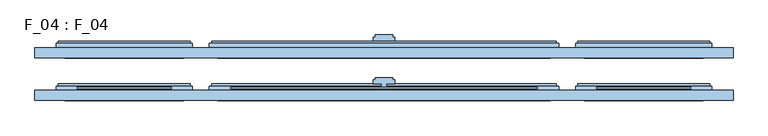
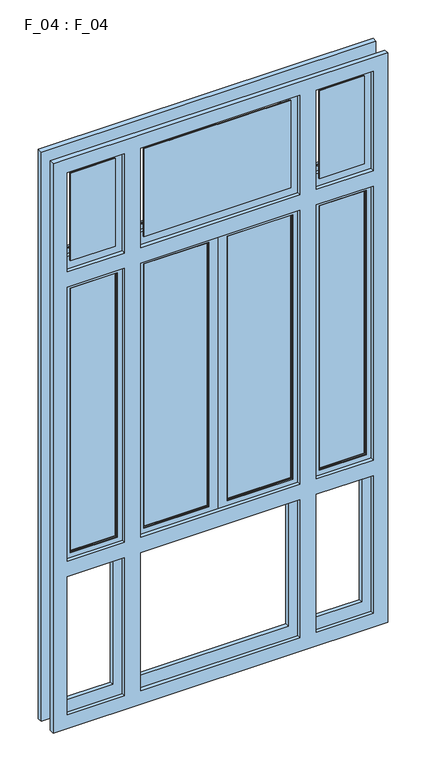
"""IFC4 building model written with IfcOpenShell, lengths in millimetres: window geometry, F_04 : F_04."""

from ifc_helpers import new_model, si_unit, frame, origin, place, context, project, spatial, polyline, outline, extrude, faceted_brep, source, transform, mapped, element, save


def f_04_f_04_528c8c78(model_context):
    return source(origin(), model_context, "Body", "SolidModel", [
        faceted_brep([(400.0, 40.0, 3830.0), (400.0, 40.0, 3295.0000003), (400.0, 45.0, 3295.0000003), (400.0, 45.0, 3830.0), (410.0, 45.0, 3285.0000003), (410.0, 45.0, 3840.0), (-410.0, 45.0, 3840.0), (-410.0, 45.0, 3285.0000003), (-400.0, 45.0, 3295.0000003), (-400.0, 45.0, 3830.0), (-400.0, 40.0, 3295.0000003), (-400.0, 40.0, 3830.0), (365.0, 40.0, 3795.0), (365.0, 40.0, 3330.0000003), (-365.0, 40.0, 3330.0000003), (-365.0, 40.0, 3795.0), (365.0, 45.0, 3795.0), (365.0, 45.0, 3330.0000003), (-365.0, 45.0, 3330.0000003), (-365.0, 45.0, 3795.0), (360.0, 45.0, 3790.0), (360.0, 45.0, 3335.0000003), (-360.0, 45.0, 3335.0000003), (-360.0, 45.0, 3790.0), (360.0, 55.0, 3790.0), (360.0, 55.0, 3335.0000003), (-360.0, 55.0, 3335.0000003), (365.0, 55.0, 3795.0), (365.0, 55.0, 3330.0000003), (-365.0, 55.0, 3330.0000003), (-365.0, 55.0, 3795.0), (-360.0, 55.0, 3790.0), (365.0, 60.0, 3795.0), (365.0, 60.0, 3330.0000003), (-365.0, 60.0, 3330.0000003), (405.0, 60.0, 3835.0), (405.0, 60.0, 3290.0000003), (-405.0, 60.0, 3290.0000003), (-405.0, 60.0, 3835.0), (-365.0, 60.0, 3795.0), (405.0, 55.0, 3835.0), (405.0, 55.0, 3290.0000003), (-405.0, 55.0, 3290.0000003), (410.0, 55.0, 3840.0), (410.0, 55.0, 3285.0000003), (-410.0, 55.0, 3285.0000003), (-410.0, 55.0, 3840.0), (-405.0, 55.0, 3835.0)], [[[0, 1, 2, 3]], [[4, 5, 6, 7], [3, 2, 8, 9]], [[1, 10, 8, 2]], [[1, 0, 11, 10], [12, 13, 14, 15]], [[16, 17, 13, 12]], [[17, 18, 14, 13]], [[17, 16, 19, 18], [20, 21, 22, 23]], [[24, 25, 21, 20]], [[25, 26, 22, 21]], [[27, 28, 29, 30], [25, 24, 31, 26]], [[32, 33, 28, 27]], [[33, 34, 29, 28]], [[35, 36, 37, 38], [33, 32, 39, 34]], [[40, 41, 36, 35]], [[41, 42, 37, 36]], [[43, 44, 45, 46], [41, 40, 47, 42]], [[5, 4, 44, 43]], [[4, 7, 45, 44]], [[10, 11, 9, 8]], [[18, 19, 15, 14]], [[26, 31, 23, 22]], [[34, 39, 30, 29]], [[42, 47, 38, 37]], [[7, 6, 46, 45]], [[11, 0, 3, 9]], [[19, 16, 12, 15]], [[31, 24, 20, 23]], [[39, 32, 27, 30]], [[47, 40, 35, 38]], [[6, 5, 43, 46]]]),
        faceted_brep([(460.0, 45.0, 3830.0), (460.0, 45.0, 3295.0000003), (460.0, 40.0, 3295.0000003), (460.0, 40.0, 3830.0), (759.9999997, 40.0, 3295.0000003), (759.9999997, 40.0, 3830.0), (495.0, 40.0, 3330.0000003), (495.0, 40.0, 3795.0), (724.9999997, 40.0, 3795.0), (724.9999997, 40.0, 3330.0000003), (759.9999997, 45.0, 3295.0000003), (450.0, 45.0, 3840.0), (450.0, 45.0, 3285.0000003), (769.9999997, 45.0, 3285.0000003), (769.9999997, 45.0, 3840.0), (759.9999997, 45.0, 3830.0), (495.0, 45.0, 3330.0000003), (495.0, 45.0, 3795.0), (724.9999997, 45.0, 3330.0000003), (724.9999997, 45.0, 3795.0), (500.0, 45.0, 3335.0000003), (500.0, 45.0, 3790.0), (719.9999997, 45.0, 3790.0), (719.9999997, 45.0, 3335.0000003), (500.0, 55.0, 3335.0000003), (500.0, 55.0, 3790.0), (495.0, 55.0, 3330.0000003), (495.0, 55.0, 3795.0), (724.9999997, 55.0, 3795.0), (724.9999997, 55.0, 3330.0000003), (719.9999997, 55.0, 3335.0000003), (719.9999997, 55.0, 3790.0), (495.0, 60.0, 3330.0000003), (495.0, 60.0, 3795.0), (455.0, 60.0, 3290.0000003), (455.0, 60.0, 3835.0), (764.9999997, 60.0, 3835.0), (764.9999997, 60.0, 3290.0000003), (724.9999997, 60.0, 3330.0000003), (724.9999997, 60.0, 3795.0), (455.0, 55.0, 3290.0000003), (455.0, 55.0, 3835.0), (450.0, 55.0, 3285.0000003), (450.0, 55.0, 3840.0), (769.9999997, 55.0, 3840.0), (769.9999997, 55.0, 3285.0000003), (764.9999997, 55.0, 3290.0000003), (764.9999997, 55.0, 3835.0)], [[[0, 1, 2, 3]], [[3, 2, 4, 5], [6, 7, 8, 9]], [[1, 10, 4, 2]], [[11, 12, 13, 14], [1, 0, 15, 10]], [[7, 6, 16, 17]], [[17, 16, 18, 19], [20, 21, 22, 23]], [[6, 9, 18, 16]], [[21, 20, 24, 25]], [[26, 27, 28, 29], [25, 24, 30, 31]], [[20, 23, 30, 24]], [[27, 26, 32, 33]], [[34, 35, 36, 37], [33, 32, 38, 39]], [[26, 29, 38, 32]], [[35, 34, 40, 41]], [[42, 43, 44, 45], [41, 40, 46, 47]], [[34, 37, 46, 40]], [[43, 42, 12, 11]], [[42, 45, 13, 12]], [[10, 15, 5, 4]], [[9, 8, 19, 18]], [[23, 22, 31, 30]], [[29, 28, 39, 38]], [[37, 36, 47, 46]], [[45, 44, 14, 13]], [[15, 0, 3, 5]], [[8, 7, 17, 19]], [[22, 21, 25, 31]], [[28, 27, 33, 39]], [[36, 35, 41, 47]], [[44, 43, 11, 14]]]),
        faceted_brep([(-460.0, 40.0, 3830.0), (-460.0, 40.0, 3295.0000003), (-460.0, 45.0, 3295.0000003), (-460.0, 45.0, 3830.0), (-450.0, 45.0, 3285.0000003), (-450.0, 45.0, 3840.0), (-769.9999997, 45.0, 3840.0), (-769.9999997, 45.0, 3285.0000003), (-759.9999997, 45.0, 3295.0000003), (-759.9999997, 45.0, 3830.0), (-759.9999997, 40.0, 3295.0000003), (-759.9999997, 40.0, 3830.0), (-495.0, 40.0, 3795.0), (-495.0, 40.0, 3330.0000003), (-724.9999997, 40.0, 3330.0000003), (-724.9999997, 40.0, 3795.0), (-495.0, 45.0, 3795.0), (-495.0, 45.0, 3330.0000003), (-724.9999997, 45.0, 3330.0000003), (-724.9999997, 45.0, 3795.0), (-500.0, 45.0, 3790.0), (-500.0, 45.0, 3335.0000003), (-719.9999997, 45.0, 3335.0000003), (-719.9999997, 45.0, 3790.0), (-500.0, 55.0, 3790.0), (-500.0, 55.0, 3335.0000003), (-719.9999997, 55.0, 3335.0000003), (-495.0, 55.0, 3795.0), (-495.0, 55.0, 3330.0000003), (-724.9999997, 55.0, 3330.0000003), (-724.9999997, 55.0, 3795.0), (-719.9999997, 55.0, 3790.0), (-495.0, 60.0, 3795.0), (-495.0, 60.0, 3330.0000003), (-724.9999997, 60.0, 3330.0000003), (-455.0, 60.0, 3835.0), (-455.0, 60.0, 3290.0000003), (-764.9999997, 60.0, 3290.0000003), (-764.9999997, 60.0, 3835.0), (-724.9999997, 60.0, 3795.0), (-455.0, 55.0, 3835.0), (-455.0, 55.0, 3290.0000003), (-764.9999997, 55.0, 3290.0000003), (-450.0, 55.0, 3840.0), (-450.0, 55.0, 3285.0000003), (-769.9999997, 55.0, 3285.0000003), (-769.9999997, 55.0, 3840.0), (-764.9999997, 55.0, 3835.0)], [[[0, 1, 2, 3]], [[4, 5, 6, 7], [3, 2, 8, 9]], [[1, 10, 8, 2]], [[1, 0, 11, 10], [12, 13, 14, 15]], [[16, 17, 13, 12]], [[17, 18, 14, 13]], [[17, 16, 19, 18], [20, 21, 22, 23]], [[24, 25, 21, 20]], [[25, 26, 22, 21]], [[27, 28, 29, 30], [25, 24, 31, 26]], [[32, 33, 28, 27]], [[33, 34, 29, 28]], [[35, 36, 37, 38], [33, 32, 39, 34]], [[40, 41, 36, 35]], [[41, 42, 37, 36]], [[43, 44, 45, 46], [41, 40, 47, 42]], [[5, 4, 44, 43]], [[4, 7, 45, 44]], [[10, 11, 9, 8]], [[18, 19, 15, 14]], [[26, 31, 23, 22]], [[34, 39, 30, 29]], [[42, 47, 38, 37]], [[7, 6, 46, 45]], [[11, 0, 3, 9]], [[19, 16, 12, 15]], [[31, 24, 20, 23]], [[39, 32, 27, 30]], [[47, 40, 35, 38]], [[6, 5, 43, 46]]]),
        faceted_brep([(44.9999997, -55.0, 1830.0), (44.9999997, -55.0, 3200.0000007), (44.9999997, -60.0, 3200.0000007), (44.9999997, -60.0, 1830.0), (9.9999997, -60.0, 3235.0000007), (10.0, -60.0, 3245.0000007), (0.5, -60.0, 3245.0000007), (0.5, -60.0, 1785.0), (10.0, -60.0, 1785.0), (9.9999997, -60.0, 1795.0), (400.0000003, -60.0, 1795.0), (400.0000003, -60.0, 3235.0000007), (365.0000003, -60.0, 3200.0000007), (365.0000003, -60.0, 1830.0), (365.0000003, -55.0, 3200.0000007), (365.0000003, -55.0, 1830.0), (49.9999997, -55.0, 3195.0000007), (360.0000003, -55.0, 3195.0000007), (360.0000003, -55.0, 1835.0), (49.9999997, -55.0, 1835.0), (49.9999997, -45.0, 1835.0), (49.9999997, -45.0, 3195.0000007), (360.0000003, -45.0, 3195.0000007), (44.9999997, -45.0, 3200.0000007), (365.0000003, -45.0, 3200.0000007), (365.0000003, -45.0, 1830.0), (44.9999997, -45.0, 1830.0), (360.0000003, -45.0, 1835.0), (44.9999997, -40.0, 1830.0), (44.9999997, -40.0, 3200.0000007), (365.0000003, -40.0, 3200.0000007), (405.0000003, -40.0, 1790.0), (25.0, -40.0, 1790.0), (25.0, -40.0, 3240.0000007), (405.0000003, -40.0, 3240.0000007), (365.0000003, -40.0, 1830.0), (10.0, -55.0, 3235.0000007), (400.0000003, -55.0, 3235.0000007), (400.0000003, -55.0, 1795.0), (9.9999997, -55.0, 1795.0), (10.0, -55.0, 1785.0), (410.0000003, -55.0, 1785.0), (410.0000003, -55.0, 3245.0000007), (10.0, -55.0, 3245.0000007), (-10.0, -55.0, 3235.0000007), (-10.0, -55.0, 3245.0000007), (-410.0000003, -55.0, 3245.0000007), (-410.0000003, -55.0, 1785.0), (-10.0, -55.0, 1785.0), (-10.0, -55.0, 1795.0), (-400.0000003, -55.0, 1795.0), (-400.0000003, -55.0, 3235.0000007), (-0.5, -55.0, 3245.0000007), (-0.5, -55.0, 1785.0), (0.5, -55.0, 1785.0), (0.5, -55.0, 3245.0000007), (4.9999997, -40.0, 3240.0000007), (5.0, -45.0, 3240.0000007), (405.0000003, -45.0, 3240.0000007), (405.0000003, -45.0, 1790.0), (5.0, -45.0, 3245.0000007), (410.0000003, -45.0, 3245.0000007), (410.0000003, -45.0, 1785.0), (5.0, -45.0, 1785.0), (5.0, -45.0, 1790.0), (5.0, -40.0, 3245.0000007), (5.0, -40.0, 1785.0), (5.0, -40.0, 1790.0), (25.0, -40.0, 3245.0000007), (25.0, -40.0, 1785.0), (25.0, -30.0, 3245.0000007), (20.0, -30.0, 3245.0000007), (20.0, -25.0, 3245.0000007), (-20.0, -25.0, 3245.0000007), (-20.0, -30.0, 3245.0000007), (-25.0, -30.0, 3245.0000007), (-25.0, -40.0, 3245.0000007), (-5.0, -40.0, 3245.0000007), (-5.0, -45.0, 3245.0000007), (-410.0000003, -45.0, 3245.0000007), (-10.0, -60.0, 3245.0000007), (-0.5, -60.0, 3245.0000007), (-0.5, -60.0, 1785.0), (-10.0, -60.0, 3235.0000007), (-400.0000003, -60.0, 3235.0000007), (-400.0000003, -60.0, 1795.0), (-9.9999997, -60.0, 1795.0), (-10.0, -60.0, 1785.0), (-44.9999997, -60.0, 1830.0), (-365.0000003, -60.0, 1830.0), (-365.0000003, -60.0, 3200.0000007), (-44.9999997, -60.0, 3200.0000007), (-410.0000003, -45.0, 1785.0), (-405.0000003, -45.0, 3240.0000007), (-405.0000003, -45.0, 1790.0), (-4.9999997, -45.0, 1790.0), (-5.0, -45.0, 1785.0), (-5.0, -45.0, 3240.0000007), (-5.0, -40.0, 3240.0000007), (-5.0, -40.0, 1790.0), (-5.0, -40.0, 1785.0), (-25.0, -40.0, 3240.0000007), (-25.0, -40.0, 1790.0), (-25.0, -40.0, 1785.0), (-25.0, -30.0, 1785.0), (-20.0, -30.0, 1785.0), (-20.0, -25.0, 1785.0), (20.0, -25.0, 1785.0), (20.0, -30.0, 1785.0), (25.0, -30.0, 1785.0), (-44.9999997, -55.0, 3200.0000007), (-44.9999997, -55.0, 1830.0), (-365.0000003, -55.0, 3200.0000007), (-365.0000003, -55.0, 1830.0), (-405.0000003, -40.0, 3240.0000007), (-405.0000003, -40.0, 1790.0), (-44.9999997, -40.0, 3200.0000007), (-365.0000003, -40.0, 3200.0000007), (-365.0000003, -40.0, 1830.0), (-44.9999997, -40.0, 1830.0), (-49.9999997, -55.0, 1835.0), (-360.0000003, -55.0, 1835.0), (-360.0000003, -55.0, 3195.0000007), (-49.9999997, -55.0, 3195.0000007), (-49.9999997, -45.0, 3195.0000007), (-49.9999997, -45.0, 1835.0), (-44.9999997, -45.0, 1830.0), (-365.0000003, -45.0, 1830.0), (-365.0000003, -45.0, 3200.0000007), (-44.9999997, -45.0, 3200.0000007), (-360.0000003, -45.0, 3195.0000007), (-360.0000003, -45.0, 1835.0)], [[[0, 1, 2, 3]], [[4, 5, 6, 7, 8, 9, 10, 11], [2, 12, 13, 3]], [[1, 14, 12, 2]], [[0, 15, 14, 1], [16, 17, 18, 19]], [[20, 21, 16, 19]], [[21, 22, 17, 16]], [[23, 24, 25, 26], [20, 27, 22, 21]], [[28, 29, 23, 26]], [[29, 30, 24, 23]], [[31, 32, 33, 34], [28, 35, 30, 29]], [[36, 4, 11, 37]], [[37, 38, 39, 40, 41, 42, 43, 36]], [[44, 45, 46, 47, 48, 49, 50, 51]], [[52, 53, 54, 55]], [[11, 10, 38, 37]], [[5, 4, 36, 43]], [[40, 39, 9, 8]], [[14, 15, 13, 12]], [[22, 27, 18, 17]], [[30, 35, 25, 24]], [[34, 33, 56, 57, 58]], [[58, 59, 31, 34]], [[57, 60, 61, 62, 63, 64, 59, 58]], [[60, 57, 56, 65]], [[66, 67, 64, 63]], [[65, 56, 33, 68]], [[69, 32, 67, 66]], [[61, 60, 65, 68, 70, 71, 72, 73, 74, 75, 76, 77, 78, 79, 46, 45, 80, 81, 52, 55, 6, 5, 43, 42]], [[42, 41, 62, 61]], [[55, 54, 7, 6]], [[81, 82, 53, 52]], [[80, 83, 84, 85, 86, 87, 82, 81], [88, 89, 90, 91]], [[45, 44, 83, 80]], [[87, 86, 49, 48]], [[79, 92, 47, 46]], [[93, 94, 95, 96, 92, 79, 78, 97]], [[77, 98, 97, 78]], [[96, 95, 99, 100]], [[76, 101, 98, 77]], [[100, 99, 102, 103]], [[75, 104, 103, 102, 101, 76]], [[74, 105, 104, 75]], [[73, 106, 105, 74]], [[72, 107, 106, 73]], [[71, 108, 107, 72]], [[70, 109, 108, 71]], [[68, 33, 32, 69, 109, 70]], [[83, 44, 51, 84]], [[51, 50, 85, 84]], [[88, 91, 110, 111]], [[91, 90, 112, 110]], [[90, 89, 113, 112]], [[97, 98, 101, 114, 93]], [[114, 101, 102, 115], [116, 117, 118, 119]], [[110, 112, 113, 111], [120, 121, 122, 123]], [[120, 123, 124, 125]], [[126, 127, 128, 129], [124, 130, 131, 125]], [[123, 122, 130, 124]], [[126, 129, 116, 119]], [[129, 128, 117, 116]], [[122, 121, 131, 130]], [[128, 127, 118, 117]], [[114, 115, 94, 93]], [[10, 9, 39, 38]], [[3, 13, 15, 0]], [[19, 18, 27, 20]], [[26, 25, 35, 28]], [[59, 64, 67, 32, 31]], [[41, 40, 8, 7, 54, 53, 82, 87, 48, 47, 92, 96, 100, 103, 104, 105, 106, 107, 108, 109, 69, 66, 63, 62]], [[50, 49, 86, 85]], [[111, 113, 89, 88]], [[125, 131, 121, 120]], [[119, 118, 127, 126]], [[115, 102, 99, 95, 94]]]),
        faceted_brep([(459.9999997, -60.0, 1795.0), (459.9999997, -60.0, 3235.0000007), (459.9999997, -55.0, 3235.0000007), (459.9999997, -55.0, 1795.0), (449.9999997, -55.0, 3245.0000007), (449.9999997, -55.0, 1785.0), (770.0, -55.0, 1785.0), (770.0, -55.0, 3245.0000007), (760.0, -55.0, 3235.0000007), (760.0, -55.0, 1795.0), (760.0, -60.0, 3235.0000007), (760.0, -60.0, 1795.0), (494.9999997, -60.0, 1830.0), (494.9999997, -60.0, 3200.0000007), (725.0, -60.0, 3200.0000007), (725.0, -60.0, 1830.0), (494.9999997, -55.0, 1830.0), (494.9999997, -55.0, 3200.0000007), (725.0, -55.0, 3200.0000007), (725.0, -55.0, 1830.0), (499.9999997, -55.0, 1835.0), (499.9999997, -55.0, 3195.0000007), (720.0, -55.0, 3195.0000007), (720.0, -55.0, 1835.0), (499.9999997, -45.0, 1835.0), (499.9999997, -45.0, 3195.0000007), (720.0, -45.0, 3195.0000007), (494.9999997, -45.0, 1830.0), (494.9999997, -45.0, 3200.0000007), (725.0, -45.0, 3200.0000007), (725.0, -45.0, 1830.0), (720.0, -45.0, 1835.0), (494.9999997, -40.0, 1830.0), (494.9999997, -40.0, 3200.0000007), (725.0, -40.0, 3200.0000007), (454.9999997, -40.0, 1790.0), (454.9999997, -40.0, 3240.0000007), (765.0, -40.0, 3240.0000007), (765.0, -40.0, 1790.0), (725.0, -40.0, 1830.0), (454.9999997, -45.0, 1790.0), (454.9999997, -45.0, 3240.0000007), (765.0, -45.0, 3240.0000007), (449.9999997, -45.0, 1785.0), (449.9999997, -45.0, 3245.0000007), (770.0, -45.0, 3245.0000007), (770.0, -45.0, 1785.0), (765.0, -45.0, 1790.0)], [[[0, 1, 2, 3]], [[4, 5, 6, 7], [3, 2, 8, 9]], [[1, 10, 8, 2]], [[1, 0, 11, 10], [12, 13, 14, 15]], [[16, 17, 13, 12]], [[17, 18, 14, 13]], [[17, 16, 19, 18], [20, 21, 22, 23]], [[24, 25, 21, 20]], [[25, 26, 22, 21]], [[27, 28, 29, 30], [25, 24, 31, 26]], [[32, 33, 28, 27]], [[33, 34, 29, 28]], [[35, 36, 37, 38], [33, 32, 39, 34]], [[40, 41, 36, 35]], [[41, 42, 37, 36]], [[43, 44, 45, 46], [41, 40, 47, 42]], [[5, 4, 44, 43]], [[4, 7, 45, 44]], [[10, 11, 9, 8]], [[18, 19, 15, 14]], [[26, 31, 23, 22]], [[34, 39, 30, 29]], [[42, 47, 38, 37]], [[7, 6, 46, 45]], [[11, 0, 3, 9]], [[19, 16, 12, 15]], [[31, 24, 20, 23]], [[39, 32, 27, 30]], [[47, 40, 35, 38]], [[6, 5, 43, 46]]]),
        faceted_brep([(-459.9999997, -55.0, 1795.0), (-459.9999997, -55.0, 3235.0000007), (-459.9999997, -60.0, 3235.0000007), (-459.9999997, -60.0, 1795.0), (-760.0, -60.0, 3235.0000007), (-760.0, -60.0, 1795.0), (-494.9999997, -60.0, 3200.0000007), (-494.9999997, -60.0, 1830.0), (-725.0, -60.0, 1830.0), (-725.0, -60.0, 3200.0000007), (-760.0, -55.0, 3235.0000007), (-449.9999997, -55.0, 1785.0), (-449.9999997, -55.0, 3245.0000007), (-770.0, -55.0, 3245.0000007), (-770.0, -55.0, 1785.0), (-760.0, -55.0, 1795.0), (-494.9999997, -55.0, 3200.0000007), (-494.9999997, -55.0, 1830.0), (-725.0, -55.0, 3200.0000007), (-725.0, -55.0, 1830.0), (-499.9999997, -55.0, 3195.0000007), (-499.9999997, -55.0, 1835.0), (-720.0, -55.0, 1835.0), (-720.0, -55.0, 3195.0000007), (-499.9999997, -45.0, 3195.0000007), (-499.9999997, -45.0, 1835.0), (-494.9999997, -45.0, 3200.0000007), (-494.9999997, -45.0, 1830.0), (-725.0, -45.0, 1830.0), (-725.0, -45.0, 3200.0000007), (-720.0, -45.0, 3195.0000007), (-720.0, -45.0, 1835.0), (-494.9999997, -40.0, 3200.0000007), (-494.9999997, -40.0, 1830.0), (-454.9999997, -40.0, 3240.0000007), (-454.9999997, -40.0, 1790.0), (-765.0, -40.0, 1790.0), (-765.0, -40.0, 3240.0000007), (-725.0, -40.0, 3200.0000007), (-725.0, -40.0, 1830.0), (-454.9999997, -45.0, 3240.0000007), (-454.9999997, -45.0, 1790.0), (-449.9999997, -45.0, 3245.0000007), (-449.9999997, -45.0, 1785.0), (-770.0, -45.0, 1785.0), (-770.0, -45.0, 3245.0000007), (-765.0, -45.0, 3240.0000007), (-765.0, -45.0, 1790.0)], [[[0, 1, 2, 3]], [[3, 2, 4, 5], [6, 7, 8, 9]], [[1, 10, 4, 2]], [[11, 12, 13, 14], [1, 0, 15, 10]], [[7, 6, 16, 17]], [[17, 16, 18, 19], [20, 21, 22, 23]], [[6, 9, 18, 16]], [[21, 20, 24, 25]], [[26, 27, 28, 29], [25, 24, 30, 31]], [[20, 23, 30, 24]], [[27, 26, 32, 33]], [[34, 35, 36, 37], [33, 32, 38, 39]], [[26, 29, 38, 32]], [[35, 34, 40, 41]], [[42, 43, 44, 45], [41, 40, 46, 47]], [[34, 37, 46, 40]], [[43, 42, 12, 11]], [[42, 45, 13, 12]], [[10, 15, 5, 4]], [[9, 8, 19, 18]], [[23, 22, 31, 30]], [[29, 28, 39, 38]], [[37, 36, 47, 46]], [[45, 44, 14, 13]], [[15, 0, 3, 5]], [[8, 7, 17, 19]], [[22, 21, 25, 31]], [[28, 27, 33, 39]], [[36, 35, 41, 47]], [[44, 43, 11, 14]]]),
        faceted_brep([(44.9999997, 45.0, 1830.0), (44.9999997, 45.0, 3200.0000007), (44.9999997, 40.0, 3200.0000007), (44.9999997, 40.0, 1830.0), (9.9999997, 40.0, 3235.0000007), (10.0, 40.0, 3245.0000007), (0.5, 40.0, 3245.0000007), (0.5, 40.0, 1785.0), (10.0, 40.0, 1785.0), (9.9999997, 40.0, 1795.0), (400.0000003, 40.0, 1795.0), (400.0000003, 40.0, 3235.0000007), (365.0000003, 40.0, 3200.0000007), (365.0000003, 40.0, 1830.0), (365.0000003, 45.0, 3200.0000007), (365.0000003, 45.0, 1830.0), (49.9999997, 45.0, 3195.0000007), (360.0000003, 45.0, 3195.0000007), (360.0000003, 45.0, 1835.0), (49.9999997, 45.0, 1835.0), (49.9999997, 55.0, 1835.0), (49.9999997, 55.0, 3195.0000007), (360.0000003, 55.0, 3195.0000007), (44.9999997, 55.0, 3200.0000007), (365.0000003, 55.0, 3200.0000007), (365.0000003, 55.0, 1830.0), (44.9999997, 55.0, 1830.0), (360.0000003, 55.0, 1835.0), (44.9999997, 60.0, 1830.0), (44.9999997, 60.0, 3200.0000007), (365.0000003, 60.0, 3200.0000007), (405.0000003, 60.0, 1790.0), (25.0, 60.0, 1790.0), (25.0, 60.0, 3240.0000007), (405.0000003, 60.0, 3240.0000007), (365.0000003, 60.0, 1830.0), (10.0, 45.0, 3235.0000007), (400.0000003, 45.0, 3235.0000007), (400.0000003, 45.0, 1795.0), (9.9999997, 45.0, 1795.0), (10.0, 45.0, 1785.0), (410.0000003, 45.0, 1785.0), (410.0000003, 45.0, 3245.0000007), (10.0, 45.0, 3245.0000007), (-10.0, 45.0, 3235.0000007), (-10.0, 45.0, 3245.0000007), (-410.0000003, 45.0, 3245.0000007), (-410.0000003, 45.0, 1785.0), (-10.0, 45.0, 1785.0), (-10.0, 45.0, 1795.0), (-400.0000003, 45.0, 1795.0), (-400.0000003, 45.0, 3235.0000007), (-0.5, 45.0, 3245.0000007), (-0.5, 45.0, 1785.0), (0.5, 45.0, 1785.0), (0.5, 45.0, 3245.0000007), (4.9999997, 60.0, 3240.0000007), (5.0, 55.0, 3240.0000007), (405.0000003, 55.0, 3240.0000007), (405.0000003, 55.0, 1790.0), (5.0, 55.0, 3245.0000007), (410.0000003, 55.0, 3245.0000007), (410.0000003, 55.0, 1785.0), (5.0, 55.0, 1785.0), (5.0, 55.0, 1790.0), (5.0, 60.0, 3245.0000007), (5.0, 60.0, 1785.0), (5.0, 60.0, 1790.0), (25.0, 60.0, 3245.0000007), (25.0, 60.0, 1785.0), (25.0, 70.0, 3245.0000007), (20.0, 70.0, 3245.0000007), (20.0, 75.0, 3245.0000007), (-20.0, 75.0, 3245.0000007), (-20.0, 70.0, 3245.0000007), (-25.0, 70.0, 3245.0000007), (-25.0, 60.0, 3245.0000007), (-5.0, 60.0, 3245.0000007), (-5.0, 55.0, 3245.0000007), (-410.0000003, 55.0, 3245.0000007), (-10.0, 40.0, 3245.0000007), (-0.5, 40.0, 3245.0000007), (-0.5, 40.0, 1785.0), (-10.0, 40.0, 3235.0000007), (-400.0000003, 40.0, 3235.0000007), (-400.0000003, 40.0, 1795.0), (-9.9999997, 40.0, 1795.0), (-10.0, 40.0, 1785.0), (-44.9999997, 40.0, 1830.0), (-365.0000003, 40.0, 1830.0), (-365.0000003, 40.0, 3200.0000007), (-44.9999997, 40.0, 3200.0000007), (-410.0000003, 55.0, 1785.0), (-405.0000003, 55.0, 3240.0000007), (-405.0000003, 55.0, 1790.0), (-4.9999997, 55.0, 1790.0), (-5.0, 55.0, 1785.0), (-5.0, 55.0, 3240.0000007), (-5.0, 60.0, 3240.0000007), (-5.0, 60.0, 1790.0), (-5.0, 60.0, 1785.0), (-25.0, 60.0, 3240.0000007), (-25.0, 60.0, 1790.0), (-25.0, 60.0, 1785.0), (-25.0, 70.0, 1785.0), (-20.0, 70.0, 1785.0), (-20.0, 75.0, 1785.0), (20.0, 75.0, 1785.0), (20.0, 70.0, 1785.0), (25.0, 70.0, 1785.0), (-44.9999997, 45.0, 3200.0000007), (-44.9999997, 45.0, 1830.0), (-365.0000003, 45.0, 3200.0000007), (-365.0000003, 45.0, 1830.0), (-405.0000003, 60.0, 3240.0000007), (-405.0000003, 60.0, 1790.0), (-44.9999997, 60.0, 3200.0000007), (-365.0000003, 60.0, 3200.0000007), (-365.0000003, 60.0, 1830.0), (-44.9999997, 60.0, 1830.0), (-49.9999997, 45.0, 1835.0), (-360.0000003, 45.0, 1835.0), (-360.0000003, 45.0, 3195.0000007), (-49.9999997, 45.0, 3195.0000007), (-49.9999997, 55.0, 3195.0000007), (-49.9999997, 55.0, 1835.0), (-44.9999997, 55.0, 1830.0), (-365.0000003, 55.0, 1830.0), (-365.0000003, 55.0, 3200.0000007), (-44.9999997, 55.0, 3200.0000007), (-360.0000003, 55.0, 3195.0000007), (-360.0000003, 55.0, 1835.0)], [[[0, 1, 2, 3]], [[4, 5, 6, 7, 8, 9, 10, 11], [2, 12, 13, 3]], [[1, 14, 12, 2]], [[0, 15, 14, 1], [16, 17, 18, 19]], [[20, 21, 16, 19]], [[21, 22, 17, 16]], [[23, 24, 25, 26], [20, 27, 22, 21]], [[28, 29, 23, 26]], [[29, 30, 24, 23]], [[31, 32, 33, 34], [28, 35, 30, 29]], [[36, 4, 11, 37]], [[37, 38, 39, 40, 41, 42, 43, 36]], [[44, 45, 46, 47, 48, 49, 50, 51]], [[52, 53, 54, 55]], [[11, 10, 38, 37]], [[5, 4, 36, 43]], [[40, 39, 9, 8]], [[14, 15, 13, 12]], [[22, 27, 18, 17]], [[30, 35, 25, 24]], [[34, 33, 56, 57, 58]], [[58, 59, 31, 34]], [[57, 60, 61, 62, 63, 64, 59, 58]], [[60, 57, 56, 65]], [[66, 67, 64, 63]], [[65, 56, 33, 68]], [[69, 32, 67, 66]], [[61, 60, 65, 68, 70, 71, 72, 73, 74, 75, 76, 77, 78, 79, 46, 45, 80, 81, 52, 55, 6, 5, 43, 42]], [[42, 41, 62, 61]], [[55, 54, 7, 6]], [[81, 82, 53, 52]], [[80, 83, 84, 85, 86, 87, 82, 81], [88, 89, 90, 91]], [[45, 44, 83, 80]], [[87, 86, 49, 48]], [[79, 92, 47, 46]], [[93, 94, 95, 96, 92, 79, 78, 97]], [[77, 98, 97, 78]], [[96, 95, 99, 100]], [[76, 101, 98, 77]], [[100, 99, 102, 103]], [[75, 104, 103, 102, 101, 76]], [[74, 105, 104, 75]], [[73, 106, 105, 74]], [[72, 107, 106, 73]], [[71, 108, 107, 72]], [[70, 109, 108, 71]], [[68, 33, 32, 69, 109, 70]], [[83, 44, 51, 84]], [[51, 50, 85, 84]], [[88, 91, 110, 111]], [[91, 90, 112, 110]], [[90, 89, 113, 112]], [[97, 98, 101, 114, 93]], [[114, 101, 102, 115], [116, 117, 118, 119]], [[110, 112, 113, 111], [120, 121, 122, 123]], [[120, 123, 124, 125]], [[126, 127, 128, 129], [124, 130, 131, 125]], [[123, 122, 130, 124]], [[126, 129, 116, 119]], [[129, 128, 117, 116]], [[122, 121, 131, 130]], [[128, 127, 118, 117]], [[114, 115, 94, 93]], [[10, 9, 39, 38]], [[3, 13, 15, 0]], [[19, 18, 27, 20]], [[26, 25, 35, 28]], [[59, 64, 67, 32, 31]], [[41, 40, 8, 7, 54, 53, 82, 87, 48, 47, 92, 96, 100, 103, 104, 105, 106, 107, 108, 109, 69, 66, 63, 62]], [[50, 49, 86, 85]], [[111, 113, 89, 88]], [[125, 131, 121, 120]], [[119, 118, 127, 126]], [[115, 102, 99, 95, 94]]]),
        faceted_brep([(459.9999997, 40.0, 1795.0), (459.9999997, 40.0, 3235.0000007), (459.9999997, 45.0, 3235.0000007), (459.9999997, 45.0, 1795.0), (449.9999997, 45.0, 3245.0000007), (449.9999997, 45.0, 1785.0), (770.0, 45.0, 1785.0), (770.0, 45.0, 3245.0000007), (760.0, 45.0, 3235.0000007), (760.0, 45.0, 1795.0), (760.0, 40.0, 3235.0000007), (760.0, 40.0, 1795.0), (494.9999997, 40.0, 1830.0), (494.9999997, 40.0, 3200.0000007), (725.0, 40.0, 3200.0000007), (725.0, 40.0, 1830.0), (494.9999997, 45.0, 1830.0), (494.9999997, 45.0, 3200.0000007), (725.0, 45.0, 3200.0000007), (725.0, 45.0, 1830.0), (499.9999997, 45.0, 1835.0), (499.9999997, 45.0, 3195.0000007), (720.0, 45.0, 3195.0000007), (720.0, 45.0, 1835.0), (499.9999997, 55.0, 1835.0), (499.9999997, 55.0, 3195.0000007), (720.0, 55.0, 3195.0000007), (494.9999997, 55.0, 1830.0), (494.9999997, 55.0, 3200.0000007), (725.0, 55.0, 3200.0000007), (725.0, 55.0, 1830.0), (720.0, 55.0, 1835.0), (494.9999997, 60.0, 1830.0), (494.9999997, 60.0, 3200.0000007), (725.0, 60.0, 3200.0000007), (454.9999997, 60.0, 1790.0), (454.9999997, 60.0, 3240.0000007), (765.0, 60.0, 3240.0000007), (765.0, 60.0, 1790.0), (725.0, 60.0, 1830.0), (454.9999997, 55.0, 1790.0), (454.9999997, 55.0, 3240.0000007), (765.0, 55.0, 3240.0000007), (449.9999997, 55.0, 1785.0), (449.9999997, 55.0, 3245.0000007), (770.0, 55.0, 3245.0000007), (770.0, 55.0, 1785.0), (765.0, 55.0, 1790.0)], [[[0, 1, 2, 3]], [[4, 5, 6, 7], [3, 2, 8, 9]], [[1, 10, 8, 2]], [[1, 0, 11, 10], [12, 13, 14, 15]], [[16, 17, 13, 12]], [[17, 18, 14, 13]], [[17, 16, 19, 18], [20, 21, 22, 23]], [[24, 25, 21, 20]], [[25, 26, 22, 21]], [[27, 28, 29, 30], [25, 24, 31, 26]], [[32, 33, 28, 27]], [[33, 34, 29, 28]], [[35, 36, 37, 38], [33, 32, 39, 34]], [[40, 41, 36, 35]], [[41, 42, 37, 36]], [[43, 44, 45, 46], [41, 40, 47, 42]], [[5, 4, 44, 43]], [[4, 7, 45, 44]], [[10, 11, 9, 8]], [[18, 19, 15, 14]], [[26, 31, 23, 22]], [[34, 39, 30, 29]], [[42, 47, 38, 37]], [[7, 6, 46, 45]], [[11, 0, 3, 9]], [[19, 16, 12, 15]], [[31, 24, 20, 23]], [[39, 32, 27, 30]], [[47, 40, 35, 38]], [[6, 5, 43, 46]]]),
        faceted_brep([(-459.9999997, 45.0, 1795.0), (-459.9999997, 45.0, 3235.0000007), (-459.9999997, 40.0, 3235.0000007), (-459.9999997, 40.0, 1795.0), (-760.0, 40.0, 3235.0000007), (-760.0, 40.0, 1795.0), (-494.9999997, 40.0, 3200.0000007), (-494.9999997, 40.0, 1830.0), (-725.0, 40.0, 1830.0), (-725.0, 40.0, 3200.0000007), (-760.0, 45.0, 3235.0000007), (-449.9999997, 45.0, 1785.0), (-449.9999997, 45.0, 3245.0000007), (-770.0, 45.0, 3245.0000007), (-770.0, 45.0, 1785.0), (-760.0, 45.0, 1795.0), (-494.9999997, 45.0, 3200.0000007), (-494.9999997, 45.0, 1830.0), (-725.0, 45.0, 3200.0000007), (-725.0, 45.0, 1830.0), (-499.9999997, 45.0, 3195.0000007), (-499.9999997, 45.0, 1835.0), (-720.0, 45.0, 1835.0), (-720.0, 45.0, 3195.0000007), (-499.9999997, 55.0, 3195.0000007), (-499.9999997, 55.0, 1835.0), (-494.9999997, 55.0, 3200.0000007), (-494.9999997, 55.0, 1830.0), (-725.0, 55.0, 1830.0), (-725.0, 55.0, 3200.0000007), (-720.0, 55.0, 3195.0000007), (-720.0, 55.0, 1835.0), (-494.9999997, 60.0, 3200.0000007), (-494.9999997, 60.0, 1830.0), (-454.9999997, 60.0, 3240.0000007), (-454.9999997, 60.0, 1790.0), (-765.0, 60.0, 1790.0), (-765.0, 60.0, 3240.0000007), (-725.0, 60.0, 3200.0000007), (-725.0, 60.0, 1830.0), (-454.9999997, 55.0, 3240.0000007), (-454.9999997, 55.0, 1790.0), (-449.9999997, 55.0, 3245.0000007), (-449.9999997, 55.0, 1785.0), (-770.0, 55.0, 1785.0), (-770.0, 55.0, 3245.0000007), (-765.0, 55.0, 3240.0000007), (-765.0, 55.0, 1790.0)], [[[0, 1, 2, 3]], [[3, 2, 4, 5], [6, 7, 8, 9]], [[1, 10, 4, 2]], [[11, 12, 13, 14], [1, 0, 15, 10]], [[7, 6, 16, 17]], [[17, 16, 18, 19], [20, 21, 22, 23]], [[6, 9, 18, 16]], [[21, 20, 24, 25]], [[26, 27, 28, 29], [25, 24, 30, 31]], [[20, 23, 30, 24]], [[27, 26, 32, 33]], [[34, 35, 36, 37], [33, 32, 38, 39]], [[26, 29, 38, 32]], [[35, 34, 40, 41]], [[42, 43, 44, 45], [41, 40, 46, 47]], [[34, 37, 46, 40]], [[43, 42, 12, 11]], [[42, 45, 13, 12]], [[10, 15, 5, 4]], [[9, 8, 19, 18]], [[23, 22, 31, 30]], [[29, 28, 39, 38]], [[37, 36, 47, 46]], [[45, 44, 14, 13]], [[15, 0, 3, 5]], [[8, 7, 17, 19]], [[22, 21, 25, 31]], [[28, 27, 33, 39]], [[36, 35, 41, 47]], [[44, 43, 11, 14]]]),
        faceted_brep([(820.0, -79.0, 3890.0), (820.0, -79.0, 940.0), (820.0, -55.0, 940.0), (820.0, -55.0, 3890.0), (-820.0, -55.0, 940.0), (-820.0, -55.0, 3890.0), (760.0, -55.0, 3295.0000003), (760.0, -55.0, 3830.0), (460.0, -55.0, 3830.0), (460.0, -55.0, 3295.0000003), (400.0, -55.0, 3295.0000003), (400.0, -55.0, 3830.0), (-400.0, -55.0, 3830.0), (-400.0, -55.0, 3295.0000003), (-760.0, -55.0, 3295.0000003), (-460.0, -55.0, 3295.0000003), (-460.0, -55.0, 3830.0), (-760.0, -55.0, 3830.0), (-760.0, -55.0, 1000.0), (-460.0, -55.0, 1000.0), (-460.0, -55.0, 1735.0000003), (-760.0, -55.0, 1735.0000003), (-760.0, -55.0, 1795.0000003), (-460.0, -55.0, 1795.0000003), (-460.0, -55.0, 3235.0000003), (-760.0, -55.0, 3235.0000003), (400.0, -55.0, 1000.0), (400.0, -55.0, 1735.0000003), (-400.0, -55.0, 1735.0000003), (-400.0, -55.0, 1000.0), (760.0, -55.0, 1000.0), (760.0, -55.0, 1735.0000003), (460.0, -55.0, 1735.0000003), (460.0, -55.0, 1000.0), (400.0, -55.0, 1795.0000003), (400.0, -55.0, 3235.0000003), (-400.0, -55.0, 3235.0000003), (-400.0, -55.0, 1795.0000003), (760.0, -55.0, 1795.0000003), (760.0, -55.0, 3235.0000003), (460.0, -55.0, 3235.0000003), (460.0, -55.0, 1795.0000003), (-820.0, -79.0, 940.0), (-820.0, -79.0, 3890.0), (-750.0, -79.0, 3305.0000003), (-750.0, -79.0, 3820.0), (-470.0, -79.0, 3820.0), (-470.0, -79.0, 3305.0000003), (-390.0, -79.0, 3305.0000003), (-390.0, -79.0, 3820.0), (390.0, -79.0, 3820.0), (390.0, -79.0, 3305.0000003), (750.0, -79.0, 3305.0000003), (470.0, -79.0, 3305.0000003), (470.0, -79.0, 3820.0), (750.0, -79.0, 3820.0), (750.0, -79.0, 1805.0000003), (470.0, -79.0, 1805.0000003), (470.0, -79.0, 3225.0), (750.0, -79.0, 3225.0), (750.0, -79.0, 1010.0), (470.0, -79.0, 1010.0), (470.0, -79.0, 1725.0), (750.0, -79.0, 1725.0), (-750.0, -79.0, 1010.0), (-750.0, -79.0, 1725.0), (-470.0, -79.0, 1725.0), (-470.0, -79.0, 1010.0), (-390.0, -79.0, 1010.0), (-390.0, -79.0, 1725.0), (390.0, -79.0, 1725.0), (390.0, -79.0, 1010.0), (-750.0, -79.0, 1805.0000003), (-750.0, -79.0, 3225.0), (-470.0, -79.0, 3225.0), (-470.0, -79.0, 1805.0000003), (-390.0, -79.0, 1805.0000003), (-390.0, -79.0, 3225.0), (390.0, -79.0, 3225.0), (390.0, -79.0, 1805.0000003), (750.0, -60.0, 1725.0), (750.0, -60.0, 1010.0), (750.0, -60.0, 3820.0), (750.0, -60.0, 3305.0000003), (750.0, -60.0, 3225.0), (750.0, -60.0, 1805.0000003), (-470.0, -60.0, 3305.0000003), (-750.0, -60.0, 3305.0000003), (470.0, -60.0, 3305.0000003), (390.0, -60.0, 3305.0000003), (-390.0, -60.0, 3305.0000003), (760.0, -60.0, 3295.0000003), (460.0, -60.0, 3295.0000003), (460.0, -60.0, 3830.0), (760.0, -60.0, 3830.0), (470.0, -60.0, 3820.0), (-760.0, -60.0, 1735.0000003), (-460.0, -60.0, 1735.0000003), (-460.0, -60.0, 1000.0), (-760.0, -60.0, 1000.0), (-750.0, -60.0, 1010.0), (-470.0, -60.0, 1010.0), (-470.0, -60.0, 1725.0), (-750.0, -60.0, 1725.0), (760.0, -60.0, 1000.0), (460.0, -60.0, 1000.0), (460.0, -60.0, 1735.0000003), (760.0, -60.0, 1735.0000003), (470.0, -60.0, 1725.0), (470.0, -60.0, 1010.0), (760.0, -60.0, 1795.0000003), (460.0, -60.0, 1795.0000003), (460.0, -60.0, 3235.0000003), (760.0, -60.0, 3235.0000003), (470.0, -60.0, 3225.0), (470.0, -60.0, 1805.0000003), (-760.0, -60.0, 3235.0000003), (-460.0, -60.0, 3235.0000003), (-460.0, -60.0, 1795.0000003), (-760.0, -60.0, 1795.0000003), (-750.0, -60.0, 1805.0000003), (-470.0, -60.0, 1805.0000003), (-470.0, -60.0, 3225.0), (-750.0, -60.0, 3225.0), (400.0, -60.0, 3295.0000003), (-400.0, -60.0, 3295.0000003), (-400.0, -60.0, 3830.0), (400.0, -60.0, 3830.0), (-390.0, -60.0, 3820.0), (390.0, -60.0, 3820.0), (400.0, -60.0, 1000.0), (-400.0, -60.0, 1000.0), (-400.0, -60.0, 1735.0000003), (400.0, -60.0, 1735.0000003), (-390.0, -60.0, 1725.0), (-390.0, -60.0, 1010.0), (390.0, -60.0, 1010.0), (390.0, -60.0, 1725.0), (-400.0, -60.0, 1795.0000003), (-400.0, -60.0, 3235.0000003), (400.0, -60.0, 3235.0000003), (400.0, -60.0, 1795.0000003), (-390.0, -60.0, 3225.0), (-390.0, -60.0, 1805.0000003), (390.0, -60.0, 1805.0000003), (390.0, -60.0, 3225.0), (-760.0, -60.0, 3830.0), (-460.0, -60.0, 3830.0), (-460.0, -60.0, 3295.0000003), (-760.0, -60.0, 3295.0000003), (-470.0, -60.0, 3820.0), (-750.0, -60.0, 3820.0)], [[[0, 1, 2, 3]], [[2, 4, 5, 3], [6, 7, 8, 9], [10, 11, 12, 13], [14, 15, 16, 17], [18, 19, 20, 21], [22, 23, 24, 25], [26, 27, 28, 29], [30, 31, 32, 33], [34, 35, 36, 37], [38, 39, 40, 41]], [[1, 42, 4, 2]], [[0, 43, 42, 1], [44, 45, 46, 47], [48, 49, 50, 51], [52, 53, 54, 55], [56, 57, 58, 59], [60, 61, 62, 63], [64, 65, 66, 67], [68, 69, 70, 71], [72, 73, 74, 75], [76, 77, 78, 79]], [[60, 63, 80, 81]], [[82, 83, 52, 55]], [[59, 84, 85, 56]], [[44, 47, 86, 87]], [[83, 88, 53, 52]], [[51, 89, 90, 48]], [[91, 92, 93, 94], [82, 95, 88, 83]], [[96, 97, 98, 99], [100, 101, 102, 103]], [[104, 105, 106, 107], [80, 108, 109, 81]], [[110, 111, 112, 113], [84, 114, 115, 85]], [[116, 117, 118, 119], [120, 121, 122, 123]], [[124, 125, 126, 127], [128, 90, 89, 129]], [[130, 131, 132, 133], [134, 135, 136, 137]], [[138, 139, 140, 141], [142, 143, 144, 145]], [[146, 147, 148, 149], [87, 86, 150, 151]], [[64, 67, 101, 100]], [[81, 109, 61, 60]], [[71, 136, 135, 68]], [[63, 62, 108, 80]], [[103, 102, 66, 65]], [[137, 70, 69, 134]], [[72, 75, 121, 120]], [[85, 115, 57, 56]], [[79, 144, 143, 76]], [[59, 58, 114, 84]], [[123, 122, 74, 73]], [[145, 78, 77, 142]], [[7, 6, 91, 94]], [[104, 107, 31, 30]], [[38, 110, 113, 39]], [[6, 9, 92, 91]], [[148, 15, 14, 149]], [[124, 10, 13, 125]], [[30, 33, 105, 104]], [[98, 19, 18, 99]], [[130, 26, 29, 131]], [[21, 20, 97, 96]], [[27, 133, 132, 28]], [[106, 32, 31, 107]], [[25, 24, 117, 116]], [[35, 140, 139, 36]], [[112, 40, 39, 113]], [[38, 41, 111, 110]], [[118, 23, 22, 119]], [[141, 34, 37, 138]], [[42, 43, 5, 4]], [[53, 88, 95, 54]], [[108, 62, 61, 109]], [[57, 115, 114, 58]], [[45, 44, 87, 151]], [[100, 103, 65, 64]], [[72, 120, 123, 73]], [[101, 67, 66, 102]], [[74, 122, 121, 75]], [[46, 150, 86, 47]], [[48, 90, 128, 49]], [[134, 69, 68, 135]], [[76, 143, 142, 77]], [[136, 71, 70, 137]], [[78, 145, 144, 79]], [[50, 129, 89, 51]], [[92, 9, 8, 93]], [[32, 106, 105, 33]], [[111, 41, 40, 112]], [[18, 21, 96, 99]], [[146, 149, 14, 17]], [[25, 116, 119, 22]], [[19, 98, 97, 20]], [[117, 24, 23, 118]], [[147, 16, 15, 148]], [[125, 13, 12, 126]], [[28, 132, 131, 29]], [[138, 37, 36, 139]], [[26, 130, 133, 27]], [[140, 35, 34, 141]], [[127, 11, 10, 124]], [[3, 5, 43, 0]], [[55, 54, 95, 82]], [[151, 150, 46, 45]], [[49, 128, 129, 50]], [[17, 16, 147, 146]], [[11, 127, 126, 12]], [[93, 8, 7, 94]]]),
        extrude(outline(polyline([(-500.0, -48.0), (-500.0, -52.0), (-719.9999997, -52.0), (-719.9999997, -48.0), (-500.0, -48.0)])), frame((0.0, 0.0, 3335.0000003), z_axis=(0.0, 0.0, 1.0), x_axis=(1.0, 0.0, 0.0)), (0.0, 0.0, 1.0), 454.9999997),
        extrude(outline(polyline([(360.0, -48.0), (360.0, -52.0), (-360.0, -52.0), (-360.0, -48.0), (360.0, -48.0)])), frame((0.0, 0.0, 3335.0000003), z_axis=(0.0, 0.0, 1.0), x_axis=(1.0, 0.0, 0.0)), (0.0, 0.0, 1.0), 454.9999997),
        extrude(outline(polyline([(719.9999997, -48.0), (719.9999997, -52.0), (500.0, -52.0), (500.0, -48.0), (719.9999997, -48.0)])), frame((0.0, 0.0, 3335.0000003), z_axis=(0.0, 0.0, 1.0), x_axis=(1.0, 0.0, 0.0)), (0.0, 0.0, 1.0), 454.9999997),
        extrude(outline(polyline([(-499.9999997, -48.0), (-499.9999997, -52.0), (-720.0, -52.0), (-720.0, -48.0), (-499.9999997, -48.0)])), frame((0.0, 0.0, 1835.0), z_axis=(0.0, 0.0, 1.0), x_axis=(1.0, 0.0, 0.0)), (0.0, 0.0, 1.0), 1360.0000007),
        extrude(outline(polyline([(-49.9999997, -48.0), (-49.9999997, -52.0), (-360.0000003, -52.0), (-360.0000003, -48.0), (-49.9999997, -48.0)])), frame((0.0, 0.0, 1835.0), z_axis=(0.0, 0.0, 1.0), x_axis=(1.0, 0.0, 0.0)), (0.0, 0.0, 1.0), 1360.0000007),
        extrude(outline(polyline([(360.0000003, -48.0), (360.0000003, -52.0), (49.9999997, -52.0), (49.9999997, -48.0), (360.0000003, -48.0)])), frame((0.0, 0.0, 1835.0), z_axis=(0.0, 0.0, 1.0), x_axis=(1.0, 0.0, 0.0)), (0.0, 0.0, 1.0), 1360.0000007),
        extrude(outline(polyline([(720.0, -48.0), (720.0, -52.0), (499.9999997, -52.0), (499.9999997, -48.0), (720.0, -48.0)])), frame((0.0, 0.0, 1835.0), z_axis=(0.0, 0.0, 1.0), x_axis=(1.0, 0.0, 0.0)), (0.0, 0.0, 1.0), 1360.0000007),
        faceted_brep([(820.0, 21.0, 3890.0), (820.0, 21.0, 940.0), (820.0, 45.0, 940.0), (820.0, 45.0, 3890.0), (-820.0, 45.0, 940.0), (-820.0, 45.0, 3890.0), (760.0, 45.0, 3295.0000003), (760.0, 45.0, 3830.0), (460.0, 45.0, 3830.0), (460.0, 45.0, 3295.0000003), (400.0, 45.0, 3295.0000003), (400.0, 45.0, 3830.0), (-400.0, 45.0, 3830.0), (-400.0, 45.0, 3295.0000003), (-760.0, 45.0, 3295.0000003), (-460.0, 45.0, 3295.0000003), (-460.0, 45.0, 3830.0), (-760.0, 45.0, 3830.0), (-760.0, 45.0, 1000.0), (-460.0, 45.0, 1000.0), (-460.0, 45.0, 1735.0000003), (-760.0, 45.0, 1735.0000003), (-760.0, 45.0, 1795.0000003), (-460.0, 45.0, 1795.0000003), (-460.0, 45.0, 3235.0000003), (-760.0, 45.0, 3235.0000003), (400.0, 45.0, 1000.0), (400.0, 45.0, 1735.0000003), (-400.0, 45.0, 1735.0000003), (-400.0, 45.0, 1000.0), (760.0, 45.0, 1000.0), (760.0, 45.0, 1735.0000003), (460.0, 45.0, 1735.0000003), (460.0, 45.0, 1000.0), (400.0, 45.0, 1795.0000003), (400.0, 45.0, 3235.0000003), (-400.0, 45.0, 3235.0000003), (-400.0, 45.0, 1795.0000003), (760.0, 45.0, 1795.0000003), (760.0, 45.0, 3235.0000003), (460.0, 45.0, 3235.0000003), (460.0, 45.0, 1795.0000003), (-820.0, 21.0, 940.0), (-820.0, 21.0, 3890.0), (-750.0, 21.0, 3305.0000003), (-750.0, 21.0, 3820.0), (-470.0, 21.0, 3820.0), (-470.0, 21.0, 3305.0000003), (-390.0, 21.0, 3305.0000003), (-390.0, 21.0, 3820.0), (390.0, 21.0, 3820.0), (390.0, 21.0, 3305.0000003), (750.0, 21.0, 3305.0000003), (470.0, 21.0, 3305.0000003), (470.0, 21.0, 3820.0), (750.0, 21.0, 3820.0), (750.0, 21.0, 1805.0000003), (470.0, 21.0, 1805.0000003), (470.0, 21.0, 3225.0), (750.0, 21.0, 3225.0), (750.0, 21.0, 1010.0), (470.0, 21.0, 1010.0), (470.0, 21.0, 1725.0), (750.0, 21.0, 1725.0), (-750.0, 21.0, 1010.0), (-750.0, 21.0, 1725.0), (-470.0, 21.0, 1725.0), (-470.0, 21.0, 1010.0), (-390.0, 21.0, 1010.0), (-390.0, 21.0, 1725.0), (390.0, 21.0, 1725.0), (390.0, 21.0, 1010.0), (-750.0, 21.0, 1805.0000003), (-750.0, 21.0, 3225.0), (-470.0, 21.0, 3225.0), (-470.0, 21.0, 1805.0000003), (-390.0, 21.0, 1805.0000003), (-390.0, 21.0, 3225.0), (390.0, 21.0, 3225.0), (390.0, 21.0, 1805.0000003), (750.0, 40.0, 1725.0), (750.0, 40.0, 1010.0), (750.0, 40.0, 3820.0), (750.0, 40.0, 3305.0000003), (750.0, 40.0, 3225.0), (750.0, 40.0, 1805.0000003), (-470.0, 40.0, 3305.0000003), (-750.0, 40.0, 3305.0000003), (470.0, 40.0, 3305.0000003), (390.0, 40.0, 3305.0000003), (-390.0, 40.0, 3305.0000003), (760.0, 40.0, 3295.0000003), (460.0, 40.0, 3295.0000003), (460.0, 40.0, 3830.0), (760.0, 40.0, 3830.0), (470.0, 40.0, 3820.0), (-760.0, 40.0, 1735.0000003), (-460.0, 40.0, 1735.0000003), (-460.0, 40.0, 1000.0), (-760.0, 40.0, 1000.0), (-750.0, 40.0, 1010.0), (-470.0, 40.0, 1010.0), (-470.0, 40.0, 1725.0), (-750.0, 40.0, 1725.0), (760.0, 40.0, 1000.0), (460.0, 40.0, 1000.0), (460.0, 40.0, 1735.0000003), (760.0, 40.0, 1735.0000003), (470.0, 40.0, 1725.0), (470.0, 40.0, 1010.0), (760.0, 40.0, 1795.0000003), (460.0, 40.0, 1795.0000003), (460.0, 40.0, 3235.0000003), (760.0, 40.0, 3235.0000003), (470.0, 40.0, 3225.0), (470.0, 40.0, 1805.0000003), (-760.0, 40.0, 3235.0000003), (-460.0, 40.0, 3235.0000003), (-460.0, 40.0, 1795.0000003), (-760.0, 40.0, 1795.0000003), (-750.0, 40.0, 1805.0000003), (-470.0, 40.0, 1805.0000003), (-470.0, 40.0, 3225.0), (-750.0, 40.0, 3225.0), (400.0, 40.0, 3295.0000003), (-400.0, 40.0, 3295.0000003), (-400.0, 40.0, 3830.0), (400.0, 40.0, 3830.0), (-390.0, 40.0, 3820.0), (390.0, 40.0, 3820.0), (400.0, 40.0, 1000.0), (-400.0, 40.0, 1000.0), (-400.0, 40.0, 1735.0000003), (400.0, 40.0, 1735.0000003), (-390.0, 40.0, 1725.0), (-390.0, 40.0, 1010.0), (390.0, 40.0, 1010.0), (390.0, 40.0, 1725.0), (-400.0, 40.0, 1795.0000003), (-400.0, 40.0, 3235.0000003), (400.0, 40.0, 3235.0000003), (400.0, 40.0, 1795.0000003), (-390.0, 40.0, 3225.0), (-390.0, 40.0, 1805.0000003), (390.0, 40.0, 1805.0000003), (390.0, 40.0, 3225.0), (-760.0, 40.0, 3830.0), (-460.0, 40.0, 3830.0), (-460.0, 40.0, 3295.0000003), (-760.0, 40.0, 3295.0000003), (-470.0, 40.0, 3820.0), (-750.0, 40.0, 3820.0)], [[[0, 1, 2, 3]], [[2, 4, 5, 3], [6, 7, 8, 9], [10, 11, 12, 13], [14, 15, 16, 17], [18, 19, 20, 21], [22, 23, 24, 25], [26, 27, 28, 29], [30, 31, 32, 33], [34, 35, 36, 37], [38, 39, 40, 41]], [[1, 42, 4, 2]], [[0, 43, 42, 1], [44, 45, 46, 47], [48, 49, 50, 51], [52, 53, 54, 55], [56, 57, 58, 59], [60, 61, 62, 63], [64, 65, 66, 67], [68, 69, 70, 71], [72, 73, 74, 75], [76, 77, 78, 79]], [[60, 63, 80, 81]], [[82, 83, 52, 55]], [[59, 84, 85, 56]], [[44, 47, 86, 87]], [[83, 88, 53, 52]], [[51, 89, 90, 48]], [[91, 92, 93, 94], [82, 95, 88, 83]], [[96, 97, 98, 99], [100, 101, 102, 103]], [[104, 105, 106, 107], [80, 108, 109, 81]], [[110, 111, 112, 113], [84, 114, 115, 85]], [[116, 117, 118, 119], [120, 121, 122, 123]], [[124, 125, 126, 127], [128, 90, 89, 129]], [[130, 131, 132, 133], [134, 135, 136, 137]], [[138, 139, 140, 141], [142, 143, 144, 145]], [[146, 147, 148, 149], [87, 86, 150, 151]], [[64, 67, 101, 100]], [[81, 109, 61, 60]], [[71, 136, 135, 68]], [[63, 62, 108, 80]], [[103, 102, 66, 65]], [[137, 70, 69, 134]], [[72, 75, 121, 120]], [[85, 115, 57, 56]], [[79, 144, 143, 76]], [[59, 58, 114, 84]], [[123, 122, 74, 73]], [[145, 78, 77, 142]], [[7, 6, 91, 94]], [[104, 107, 31, 30]], [[38, 110, 113, 39]], [[6, 9, 92, 91]], [[148, 15, 14, 149]], [[124, 10, 13, 125]], [[30, 33, 105, 104]], [[98, 19, 18, 99]], [[130, 26, 29, 131]], [[21, 20, 97, 96]], [[27, 133, 132, 28]], [[106, 32, 31, 107]], [[25, 24, 117, 116]], [[35, 140, 139, 36]], [[112, 40, 39, 113]], [[38, 41, 111, 110]], [[118, 23, 22, 119]], [[141, 34, 37, 138]], [[42, 43, 5, 4]], [[53, 88, 95, 54]], [[108, 62, 61, 109]], [[57, 115, 114, 58]], [[45, 44, 87, 151]], [[100, 103, 65, 64]], [[72, 120, 123, 73]], [[101, 67, 66, 102]], [[74, 122, 121, 75]], [[46, 150, 86, 47]], [[48, 90, 128, 49]], [[134, 69, 68, 135]], [[76, 143, 142, 77]], [[136, 71, 70, 137]], [[78, 145, 144, 79]], [[50, 129, 89, 51]], [[92, 9, 8, 93]], [[32, 106, 105, 33]], [[111, 41, 40, 112]], [[18, 21, 96, 99]], [[146, 149, 14, 17]], [[25, 116, 119, 22]], [[19, 98, 97, 20]], [[117, 24, 23, 118]], [[147, 16, 15, 148]], [[125, 13, 12, 126]], [[28, 132, 131, 29]], [[138, 37, 36, 139]], [[26, 130, 133, 27]], [[140, 35, 34, 141]], [[127, 11, 10, 124]], [[3, 5, 43, 0]], [[55, 54, 95, 82]], [[151, 150, 46, 45]], [[49, 128, 129, 50]], [[17, 16, 147, 146]], [[11, 127, 126, 12]], [[93, 8, 7, 94]]]),
    ])


if __name__ == "__main__":
    model = new_model("IFC4")
    model_context = context("Model", 3, world=origin())
    ifc_project = project(units=[si_unit("LENGTHUNIT", "METRE", prefix="MILLI")], contexts=[model_context])
    site = spatial("IfcSite", under=ifc_project)
    building = spatial("IfcBuilding", under=site)
    placement = place(None, origin())
    f_04_f_04_shape = f_04_f_04_528c8c78(model_context)
    element("IfcWindow", 1, ObjectType="F_04 : F_04", at=placement, inside=building, context=model_context, shape_type="MappedRepresentation", body=[
        mapped(f_04_f_04_shape, transform((0.0, 0.0, 0.0), x_axis=(1.0, 0.0, 0.0), y_axis=(0.0, 1.0, 0.0), z_axis=(0.0, 0.0, 1.0))),
    ])
    save(model, "model.ifc")
